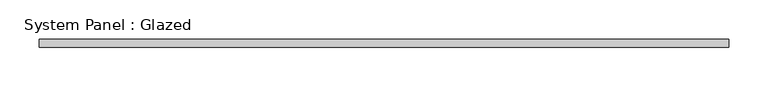
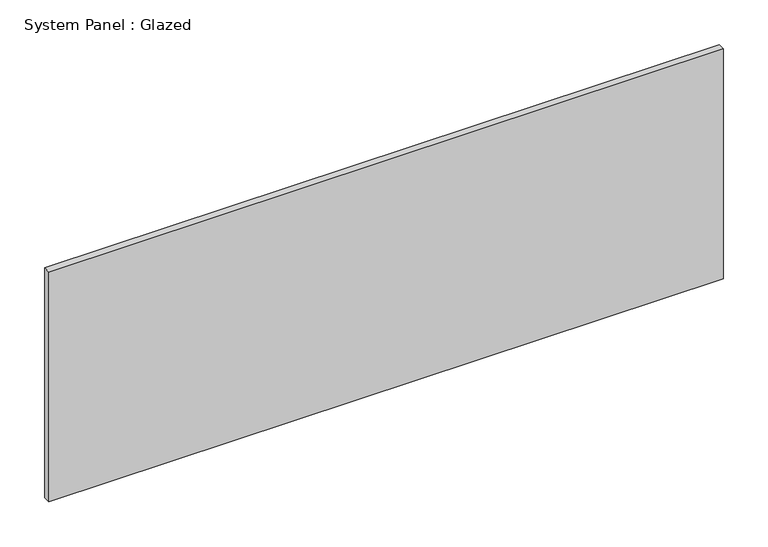
"""IFC4 building model written with IfcOpenShell, lengths in millimetres: plate geometry, System Panel : Glazed."""

from ifc_helpers import new_model, si_unit, origin, origin_with_axes, place, context, project, spatial, polyline, outline, extrude, source, transform, mapped, element, save


def system_panel_glazed_6d8f1a13(model_context):
    return source(origin(), model_context, "Body", "SweptSolid", [
        extrude(outline(polyline([(437.5, -5.0), (-437.5, -5.0), (-437.5, 5.0), (437.5, 5.0), (437.5, -5.0)])), origin_with_axes(), (0.0, 0.0, 1.0), 315.0),
    ])


if __name__ == "__main__":
    model = new_model("IFC4")
    model_context = context("Model", 3, world=origin())
    ifc_project = project(units=[si_unit("LENGTHUNIT", "METRE", prefix="MILLI")], contexts=[model_context])
    site = spatial("IfcSite", under=ifc_project)
    building = spatial("IfcBuilding", under=site)
    placement = place(None, origin())
    system_panel_glazed_shape = system_panel_glazed_6d8f1a13(model_context)
    element("IfcPlate", 1, ObjectType="System Panel : Glazed", at=placement, inside=building, context=model_context, shape_type="MappedRepresentation", body=[
        mapped(system_panel_glazed_shape, transform((0.0, 0.0, 0.0), x_axis=(1.0, 0.0, 0.0), y_axis=(0.0, 1.0, 0.0), z_axis=(0.0, 0.0, 1.0))),
    ])
    save(model, "model.ifc")
